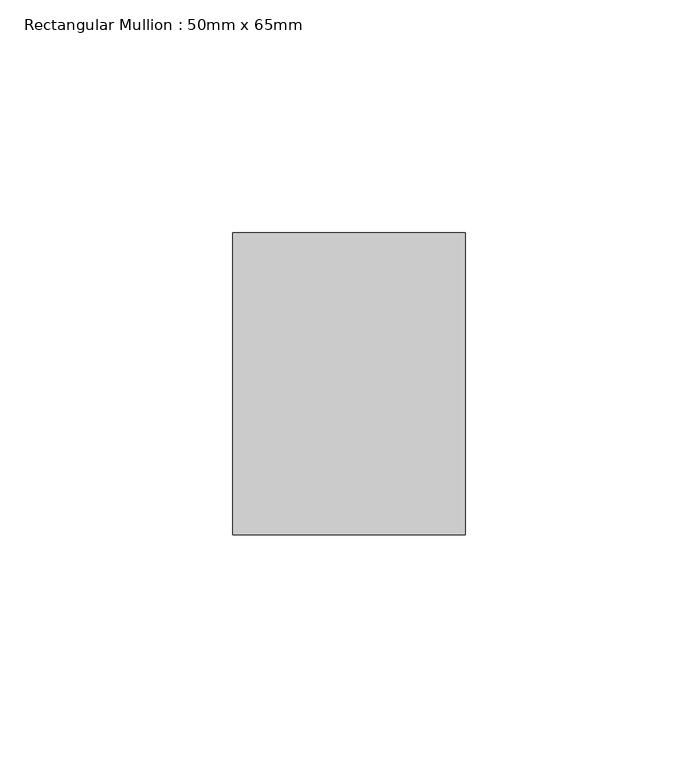
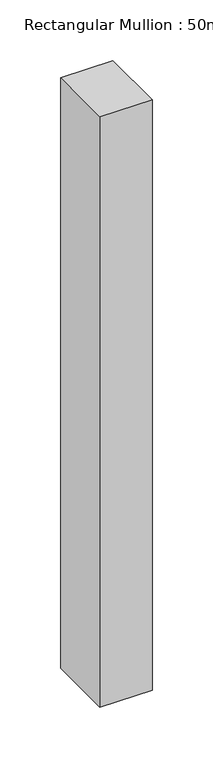
"""IFC4 building model written with IfcOpenShell, lengths in millimetres: member geometry, Rectangular Mullion : 50mm x 65mm."""

from ifc_helpers import new_model, si_unit, frame, origin, place, context, project, spatial, polyline, outline, extrude, source, transform, mapped, element, save


def rectangular_mullion_50mm_x_65mm_d15c5417(model_context):
    return source(origin(), model_context, "Body", "SweptSolid", [
        extrude(outline(polyline([(25.0, 32.5), (25.0, -32.5), (-25.0, -32.5), (-25.0, 32.5), (25.0, 32.5)])), frame((0.0, 0.0, -595.7758588), z_axis=(0.0, 0.0, 1.0), x_axis=(1.0, 0.0, 0.0)), (0.0, 0.0, 1.0), 595.7758588),
    ])


if __name__ == "__main__":
    model = new_model("IFC4")
    model_context = context("Model", 3, world=origin())
    ifc_project = project(units=[si_unit("LENGTHUNIT", "METRE", prefix="MILLI")], contexts=[model_context])
    site = spatial("IfcSite", under=ifc_project)
    building = spatial("IfcBuilding", under=site)
    placement = place(None, origin())
    rectangular_mullion_50mm_x_65mm_shape = rectangular_mullion_50mm_x_65mm_d15c5417(model_context)
    element("IfcMember", 1, ObjectType="Rectangular Mullion : 50mm x 65mm", at=placement, inside=building, context=model_context, shape_type="MappedRepresentation", body=[
        mapped(rectangular_mullion_50mm_x_65mm_shape, transform((0.0, 0.0, 0.0), x_axis=(1.0, 0.0, 0.0), y_axis=(0.0, 1.0, 0.0), z_axis=(0.0, 0.0, 1.0))),
    ])
    save(model, "model.ifc")
